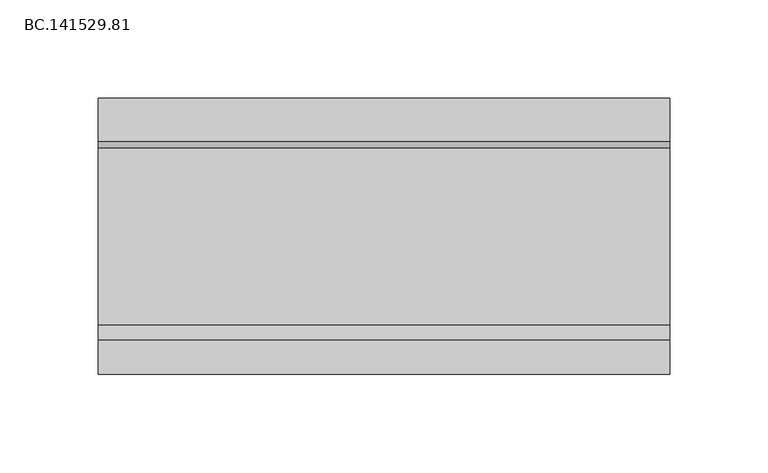
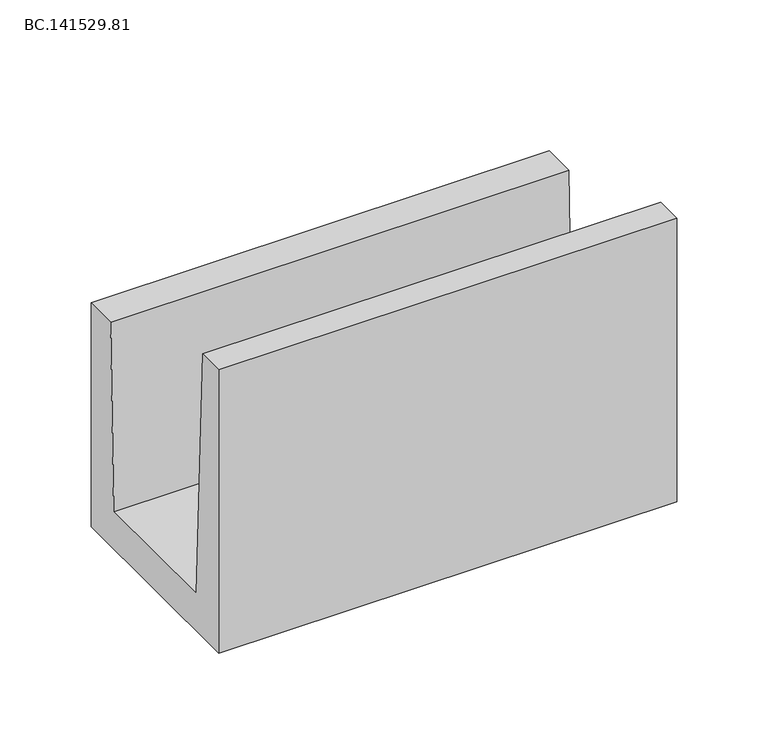
"""IFC4 building model written with IfcOpenShell, lengths in millimetres: proxy geometry, BC.141529.81."""

from ifc_helpers import new_model, si_unit, frame, origin, place, context, project, spatial, polyline, outline, extrude, source, transform, mapped, element, save


def bc_141529_81_7bd1a83d(model_context):
    return source(origin(), model_context, "Body", "SweptSolid", [
        extrude(outline(polyline([(70.0050293, 150.0), (70.0050293, 0.0), (-70.0050293, 0.0), (-70.0050293, 189.9977051), (-52.4923553, 189.9977051), (-45.0019043, 25.003125), (45.0019043, 25.003125), (48.4063477, 150.0), (70.0050293, 150.0)])), frame((5.0, 0.0, 0.0), z_axis=(1.0, 0.0, 0.0), x_axis=(0.0, 1.0, 0.0)), (0.0, 0.0, 1.0), 290.0),
    ])


if __name__ == "__main__":
    model = new_model("IFC4")
    model_context = context("Model", 3, world=origin())
    ifc_project = project(units=[si_unit("LENGTHUNIT", "METRE", prefix="MILLI")], contexts=[model_context])
    site = spatial("IfcSite", under=ifc_project)
    building = spatial("IfcBuilding", under=site)
    placement = place(None, origin())
    bc_141529_81_shape = bc_141529_81_7bd1a83d(model_context)
    element("IfcBuildingElementProxy", 1, Name="BC.141529.81", ObjectType="BC.141529.81", at=placement, inside=building, context=model_context, shape_type="MappedRepresentation", body=[
        mapped(bc_141529_81_shape, transform((0.0, 0.0, 0.0), x_axis=(1.0, 0.0, 0.0), y_axis=(0.0, 1.0, 0.0), z_axis=(0.0, 0.0, 1.0))),
    ])
    save(model, "model.ifc")
